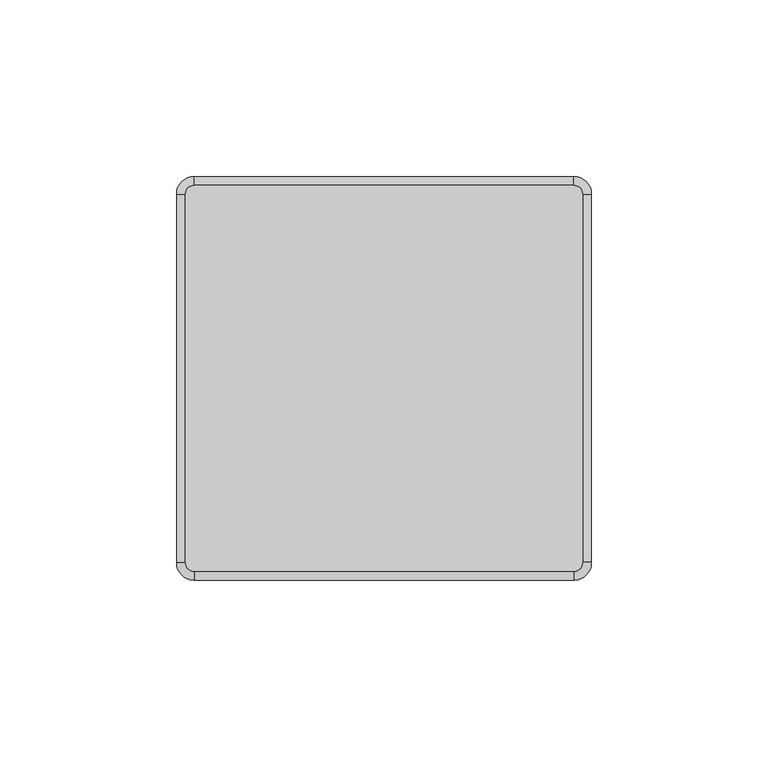
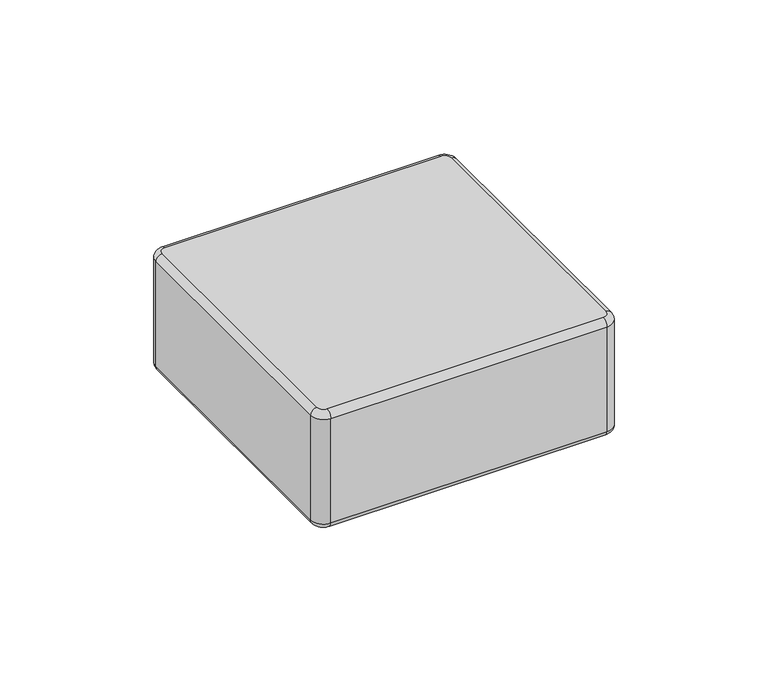
"""IFC4 building model written with IfcOpenShell, lengths in millimetres: plate geometry."""

from ifc_helpers import new_model, si_unit, point, frame, origin, place, context, project, spatial, circle_curve, ellipse_curve, trimmed, source, transform, mapped, element, save
from ifc_brep_helpers import plane_surface, cylinder_surface, revolved_surface, advanced_brep


def plate_c5723b7c(model_context):
    return source(origin(), model_context, "Body", "AdvancedBrep", [
        advanced_brep(
        [(56.2625, 52.15, 48.0), (53.7625, 54.65, 48.0), (-53.7375, 54.65, 48.0), (-56.2375, 52.15, 48.0), (-56.2375, -52.15, 48.0), (-53.7375, -54.65, 48.0), (53.7625, -54.65, 48.0), (56.2625, -52.15, 48.0), (-56.2375, 52.15, 0.0), (-53.7375, 54.65, 0.0), (53.7625, 54.65, 0.0), (56.2625, 52.15, 0.0), (56.2625, -52.15, 0.0), (53.7625, -54.65, 0.0), (-53.7375, -54.65, 0.0), (-56.2375, -52.15, 0.0), (-53.7375, -57.15, 2.5), (53.7625, -57.15, 2.5), (53.7625, -57.15, 45.5), (-53.7375, -57.15, 45.5), (58.7625, -52.15, 2.5), (58.7625, 52.15, 2.5), (58.7625, 52.15, 45.5000019), (58.7625, -52.15, 45.5), (53.7625, 57.15, 2.5), (-53.7375, 57.15, 2.5), (-53.7375, 57.15, 45.5), (53.7625, 57.15, 45.5), (-58.7375, 52.15, 2.5), (-58.7375, -52.15, 2.5), (-58.7375, -52.15, 45.5), (-58.7375, 52.15, 45.5)],
        [
            (0, 1, circle_curve(frame((53.7625, 52.15, 48.0), z_axis=(0.0, 0.0, 1.0), x_axis=(1.0, 0.0, 0.0)), 2.5)),
            (1, 2),
            (2, 3, circle_curve(frame((-53.7375, 52.15, 48.0), z_axis=(0.0, 0.0, 1.0), x_axis=(0.0, 1.0, 0.0)), 2.5)),
            (3, 4),
            (4, 5, circle_curve(frame((-53.7375, -52.15, 48.0), z_axis=(0.0, 0.0, 1.0), x_axis=(-1.0, 0.0, 0.0)), 2.5)),
            (5, 6),
            (6, 7, circle_curve(frame((53.7625, -52.15, 48.0), z_axis=(0.0, 0.0, 1.0), x_axis=(0.0, -1.0, 0.0)), 2.5)),
            (7, 0),
            (8, 9, circle_curve(frame((-53.7375, 52.15, 0.0), z_axis=(0.0, 0.0, -1.0), x_axis=(-1.0, 0.0, 0.0)), 2.5)),
            (9, 10),
            (10, 11, circle_curve(frame((53.7625, 52.15, 0.0), z_axis=(0.0, 0.0, -1.0), x_axis=(0.0, 1.0, 0.0)), 2.5)),
            (11, 12),
            (12, 13, circle_curve(frame((53.7625, -52.15, 0.0), z_axis=(0.0, 0.0, -1.0), x_axis=(1.0, 0.0, 0.0)), 2.5)),
            (13, 14),
            (14, 15, circle_curve(frame((-53.7375, -52.15, 0.0), z_axis=(0.0, 0.0, -1.0), x_axis=(0.0, -1.0, 0.0)), 2.5)),
            (15, 8),
            (16, 17),
            (17, 18),
            (18, 19),
            (19, 16),
            (20, 21),
            (21, 22),
            (22, 23),
            (23, 20),
            (24, 25),
            (25, 26),
            (26, 27),
            (27, 24),
            (28, 29),
            (29, 30),
            (30, 31),
            (31, 28),
            (29, 16, circle_curve(frame((-53.7375, -52.15, 2.5), z_axis=(0.0, 0.0, 1.0), x_axis=(1.0, 0.0, 0.0)), 5.0)),
            (19, 30, circle_curve(frame((-53.7375, -52.15, 45.5), z_axis=(0.0, 0.0, -1.0), x_axis=(1.0, 0.0, 0.0)), 5.0)),
            (17, 20, circle_curve(frame((53.7625, -52.15, 2.5), z_axis=(0.0, 0.0, 1.0), x_axis=(1.0, 0.0, 0.0)), 5.0)),
            (23, 18, circle_curve(frame((53.7625, -52.15, 45.5), z_axis=(0.0, 0.0, -1.0), x_axis=(1.0, 0.0, 0.0)), 5.0)),
            (21, 24, circle_curve(frame((53.7625, 52.15, 2.5), z_axis=(0.0, 0.0, 1.0), x_axis=(1.0, 0.0, 0.0)), 5.0)),
            (27, 22, circle_curve(frame((53.7625, 52.15, 45.5), z_axis=(0.0, 0.0, -1.0), x_axis=(1.0, 0.0, 0.0)), 5.0)),
            (25, 28, circle_curve(frame((-53.7375, 52.15, 2.5), z_axis=(0.0, 0.0, 1.0), x_axis=(1.0, 0.0, 0.0)), 5.0)),
            (31, 26, circle_curve(frame((-53.7375, 52.15, 45.5), z_axis=(0.0, 0.0, -1.0), x_axis=(1.0, 0.0, 0.0)), 5.0)),
            (25, 9, circle_curve(frame((-53.7375, 54.65, 2.5), z_axis=(-1.0, 0.0, 0.0), x_axis=(0.0, -1.0, 0.0)), 2.5)),
            (8, 28, circle_curve(frame((-56.2375, 52.15, 2.5), z_axis=(0.0, 1.0, 0.0), x_axis=(1.0, 0.0, 0.0)), 2.5)),
            (24, 10, circle_curve(frame((53.7625, 54.65, 2.5), z_axis=(-1.0, 0.0, 0.0), x_axis=(0.0, -1.0, 0.0)), 2.5)),
            (21, 11, circle_curve(frame((56.2625, 52.15, 2.5), z_axis=(0.0, 1.0, 0.0), x_axis=(-1.0, 0.0, 0.0)), 2.5)),
            (20, 12, circle_curve(frame((56.2625, -52.15, 2.5), z_axis=(0.0, 1.0, 0.0), x_axis=(-1.0, 0.0, 0.0)), 2.5)),
            (17, 13, circle_curve(frame((53.7625, -54.65, 2.5), z_axis=(1.0, 0.0, 0.0), x_axis=(0.0, 1.0, 0.0)), 2.5)),
            (16, 14, circle_curve(frame((-53.7375, -54.65, 2.5), z_axis=(1.0, 0.0, 0.0), x_axis=(0.0, 1.0, 0.0)), 2.5)),
            (29, 15, circle_curve(frame((-56.2375, -52.15, 2.5), z_axis=(0.0, -1.0, 0.0), x_axis=(1.0, 0.0, 0.0)), 2.5)),
            (27, 1, circle_curve(frame((53.7625, 54.65, 45.5), z_axis=(1.0, 0.0, 0.0), x_axis=(0.0, -1.0, 0.0)), 2.5)),
            (0, 22, circle_curve(frame((56.2625, 52.15, 45.5), z_axis=(0.0, 1.0, 0.0), x_axis=(-1.0, 0.0, 0.0)), 2.5)),
            (26, 2, circle_curve(frame((-53.7375, 54.65, 45.5), z_axis=(1.0, 0.0, 0.0), x_axis=(0.0, -1.0, 0.0)), 2.5)),
            (31, 3, circle_curve(frame((-56.2375, 52.15, 45.5), z_axis=(0.0, 1.0, 0.0), x_axis=(1.0, 0.0, 0.0)), 2.5)),
            (30, 4, circle_curve(frame((-56.2375, -52.15, 45.5), z_axis=(0.0, 1.0, 0.0), x_axis=(1.0, 0.0, 0.0)), 2.5)),
            (19, 5, circle_curve(frame((-53.7375, -54.65, 45.5), z_axis=(-1.0, 0.0, 0.0), x_axis=(0.0, 1.0, 0.0)), 2.5)),
            (18, 6, circle_curve(frame((53.7625, -54.65, 45.5), z_axis=(-1.0, 0.0, 0.0), x_axis=(0.0, 1.0, 0.0)), 2.5)),
            (23, 7, circle_curve(frame((56.2625, -52.15, 45.5), z_axis=(0.0, -1.0, 0.0), x_axis=(-1.0, 0.0, 0.0)), 2.5)),
        ],
        [
            plane_surface(frame((-48.7375, -52.15, 48.0), z_axis=(0.0, 0.0, 1.0), x_axis=(0.0, 1.0, 0.0))),
            plane_surface(frame((-48.7375, -52.15, 0.0), z_axis=(0.0, 0.0, -1.0), x_axis=(0.0, -1.0, 0.0))),
            plane_surface(frame((-53.7375, -57.15, 48.0), z_axis=(0.0, -1.0, 0.0), x_axis=(0.0, 0.0, -1.0))),
            plane_surface(frame((58.7625, -52.15, 48.0), z_axis=(1.0, 0.0, 0.0), x_axis=(0.0, 0.0, -1.0))),
            plane_surface(frame((53.7625, 57.15, 48.0), z_axis=(0.0, 1.0, 0.0), x_axis=(0.0, 0.0, -1.0))),
            plane_surface(frame((-58.7375, 52.15, 48.0), z_axis=(-1.0, 0.0, 0.0), x_axis=(0.0, 0.0, -1.0))),
            cylinder_surface(frame((-53.7375, -52.15, 0.0), z_axis=(0.0, 0.0, 1.0), x_axis=(1.0, 0.0, 0.0)), 5.0),
            cylinder_surface(frame((53.7625, -52.15, 0.0), z_axis=(0.0, 0.0, 1.0), x_axis=(1.0, 0.0, 0.0)), 5.0),
            cylinder_surface(frame((53.7625, 52.15, 0.0), z_axis=(0.0, 0.0, 1.0), x_axis=(1.0, 0.0, 0.0)), 5.0),
            cylinder_surface(frame((-53.7375, 52.15, 0.0), z_axis=(0.0, 0.0, 1.0), x_axis=(1.0, 0.0, 0.0)), 5.0),
            revolved_surface(trimmed(ellipse_curve(frame((-56.2375, 52.15, 2.5), z_axis=(0.0, -1.0, 0.0), x_axis=(1.0, 0.0, 0.0)), 2.5, 2.5), [point((-58.7375, 52.15, 2.5))], [point((-56.2375, 52.15, 0.0))], True, "CARTESIAN"), (-53.7375, 52.15, 0.0), (0.0, 0.0, -1.0)),
            cylinder_surface(frame((-53.7375, 54.65, 2.5), z_axis=(1.0, 0.0, 0.0), x_axis=(0.0, -1.0, 0.0)), 2.5),
            revolved_surface(trimmed(ellipse_curve(frame((53.7625, 54.65, 2.5), z_axis=(-1.0, 0.0, 0.0), x_axis=(0.0, -1.0, 0.0)), 2.5, 2.5), [point((53.7625, 57.15, 2.5))], [point((53.7625, 54.65, 0.0))], True, "CARTESIAN"), (53.7625, 52.15, 0.0), (0.0, 0.0, -1.0)),
            cylinder_surface(frame((56.2625, 52.15, 2.5), z_axis=(0.0, -1.0, 0.0), x_axis=(-1.0, 0.0, 0.0)), 2.5),
            revolved_surface(trimmed(ellipse_curve(frame((56.2625, -52.15, 2.5), z_axis=(0.0, 1.0, 0.0), x_axis=(-1.0, 0.0, 0.0)), 2.5, 2.5), [point((58.7625, -52.15, 2.5))], [point((56.2625, -52.15, 0.0))], True, "CARTESIAN"), (53.7625, -52.15, 0.0), (0.0, 0.0, -1.0)),
            cylinder_surface(frame((53.7625, -54.65, 2.5), z_axis=(-1.0, 0.0, 0.0), x_axis=(0.0, 1.0, 0.0)), 2.5),
            revolved_surface(trimmed(ellipse_curve(frame((-53.7375, -54.65, 2.5), z_axis=(1.0, 0.0, 0.0), x_axis=(0.0, 1.0, 0.0)), 2.5, 2.5), [point((-53.7375, -57.15, 2.5))], [point((-53.7375, -54.65, 0.0))], True, "CARTESIAN"), (-53.7375, -52.15, 0.0), (0.0, 0.0, -1.0)),
            cylinder_surface(frame((-56.2375, -52.15, 2.5), z_axis=(0.0, 1.0, 0.0), x_axis=(1.0, 0.0, 0.0)), 2.5),
            revolved_surface(trimmed(ellipse_curve(frame((56.2625, 52.15, 45.5), z_axis=(0.0, -1.0, 0.0), x_axis=(-1.0, 0.0, 0.0)), 2.5, 2.5), [point((58.7625, 52.15, 45.5))], [point((56.2625, 52.15, 48.0))], True, "CARTESIAN"), (53.7625, 52.15, 48.0), (0.0, 0.0, 1.0)),
            cylinder_surface(frame((53.7625, 54.65, 45.5), z_axis=(-1.0, 0.0, 0.0), x_axis=(0.0, -1.0, 0.0)), 2.5),
            revolved_surface(trimmed(ellipse_curve(frame((-53.7375, 54.65, 45.5), z_axis=(1.0, 0.0, 0.0), x_axis=(0.0, -1.0, 0.0)), 2.5, 2.5), [point((-53.7375, 57.15, 45.5))], [point((-53.7375, 54.65, 48.0))], True, "CARTESIAN"), (-53.7375, 52.15, 48.0), (0.0, 0.0, 1.0)),
            cylinder_surface(frame((-56.2375, 52.15, 45.5), z_axis=(0.0, -1.0, 0.0), x_axis=(1.0, 0.0, 0.0)), 2.5),
            revolved_surface(trimmed(ellipse_curve(frame((-56.2375, -52.15, 45.5), z_axis=(0.0, 1.0, 0.0), x_axis=(1.0, 0.0, 0.0)), 2.5, 2.5), [point((-58.7375, -52.15, 45.5))], [point((-56.2375, -52.15, 48.0))], True, "CARTESIAN"), (-53.7375, -52.15, 48.0), (0.0, 0.0, 1.0)),
            cylinder_surface(frame((-53.7375, -54.65, 45.5), z_axis=(1.0, 0.0, 0.0), x_axis=(0.0, 1.0, 0.0)), 2.5),
            revolved_surface(trimmed(ellipse_curve(frame((53.7625, -54.65, 45.5), z_axis=(-1.0, 0.0, 0.0), x_axis=(0.0, 1.0, 0.0)), 2.5, 2.5), [point((53.7625, -57.15, 45.5))], [point((53.7625, -54.65, 48.0))], True, "CARTESIAN"), (53.7625, -52.15, 48.0), (0.0, 0.0, 1.0)),
            cylinder_surface(frame((56.2625, -52.15, 45.5), z_axis=(0.0, 1.0, 0.0), x_axis=(-1.0, 0.0, 0.0)), 2.5),
        ],
        [
            (0, [[1, 2, 3, 4, 5, 6, 7, 8]]),
            (1, [[9, 10, 11, 12, 13, 14, 15, 16]]),
            (2, [[17, 18, 19, 20]]),
            (3, [[21, 22, 23, 24]]),
            (4, [[25, 26, 27, 28]]),
            (5, [[29, 30, 31, 32]]),
            (6, [[33, -20, 34, -30]]),
            (7, [[35, -24, 36, -18]]),
            (8, [[37, -28, 38, -22]]),
            (9, [[39, -32, 40, -26]]),
            (10, [[41, -9, 42, -39]]),
            (11, [[-41, -25, 43, -10]]),
            (12, [[-43, -37, 44, -11]]),
            (13, [[-44, -21, 45, -12]]),
            (14, [[-45, -35, 46, -13]]),
            (15, [[-46, -17, 47, -14]]),
            (16, [[-47, -33, 48, -15]]),
            (17, [[-42, -16, -48, -29]]),
            (18, [[49, -1, 50, -38]]),
            (19, [[-49, -27, 51, -2]]),
            (20, [[-51, -40, 52, -3]]),
            (21, [[-52, -31, 53, -4]]),
            (22, [[-53, -34, 54, -5]]),
            (23, [[-54, -19, 55, -6]]),
            (24, [[-55, -36, 56, -7]]),
            (25, [[-50, -8, -56, -23]]),
        ],
    ),
    ])


if __name__ == "__main__":
    model = new_model("IFC4")
    model_context = context("Model", 3, world=origin())
    ifc_project = project(units=[si_unit("LENGTHUNIT", "METRE", prefix="MILLI")], contexts=[model_context])
    site = spatial("IfcSite", under=ifc_project)
    building = spatial("IfcBuilding", under=site)
    placement = place(None, origin())
    plate_shape = plate_c5723b7c(model_context)
    element("IfcPlate", 1, at=placement, inside=building, context=model_context, shape_type="MappedRepresentation", body=[
        mapped(plate_shape, transform((0.0, 0.0, 0.0), x_axis=(1.0, 0.0, 0.0), y_axis=(0.0, 1.0, 0.0), z_axis=(0.0, 0.0, 1.0))),
    ])
    save(model, "model.ifc")
